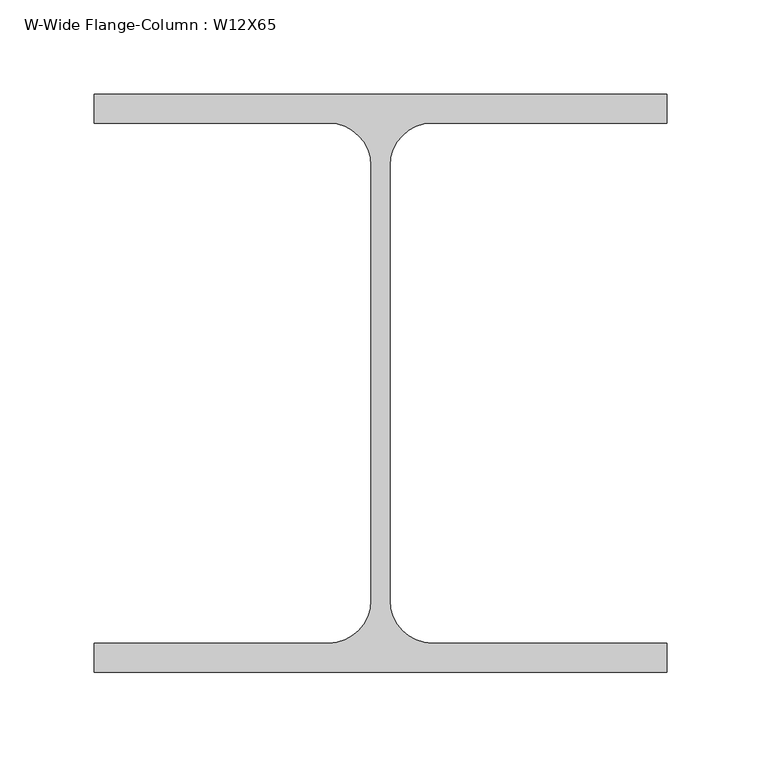
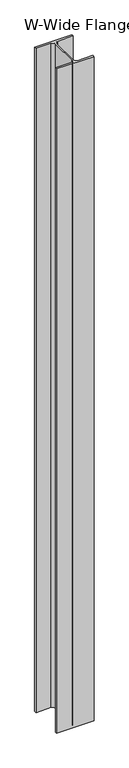
"""IFC4 building model written with IfcOpenShell, lengths in millimetres: column geometry, W-Wide Flange-Column : W12X65."""

from ifc_helpers import new_model, si_unit, point, frame, frame_2d, origin, place, context, project, spatial, polyline, circle_curve, trimmed, segment, composite_curve, outline, extrude, source, transform, mapped, element, save


def w_wide_flange_column_w12x65_d610448f(model_context):
    return source(origin(), model_context, "Body", "SweptSolid", [
        extrude(outline(composite_curve([segment(polyline([(152.4, -153.65), (-152.4, -153.65), (-152.4, -138.25), (-27.65, -138.25)]), True, "CONTINUOUS"), segment(trimmed(circle_curve(frame_2d((-27.65, -115.55)), 22.7), [point((-27.65, -138.25))], [point((-4.95, -115.55))], True, "CARTESIAN"), True, "CONTINUOUS"), segment(polyline([(-4.95, -115.55), (-4.95, 115.55)]), True, "CONTINUOUS"), segment(trimmed(circle_curve(frame_2d((-27.65, 115.55)), 22.7), [point((-4.95, 115.55))], [point((-27.65, 138.25))], True, "CARTESIAN"), True, "CONTINUOUS"), segment(polyline([(-27.65, 138.25), (-152.4, 138.25), (-152.4, 153.65), (152.4, 153.65), (152.4, 138.25), (27.65, 138.25)]), True, "CONTINUOUS"), segment(trimmed(circle_curve(frame_2d((27.65, 115.55)), 22.7), [point((27.65, 138.25))], [point((4.95, 115.55))], True, "CARTESIAN"), True, "CONTINUOUS"), segment(polyline([(4.95, 115.55), (4.95, -115.55)]), True, "CONTINUOUS"), segment(trimmed(circle_curve(frame_2d((27.65, -115.55)), 22.7), [point((4.95, -115.55))], [point((27.65, -138.25))], True, "CARTESIAN"), True, "CONTINUOUS"), segment(polyline([(27.65, -138.25), (152.4, -138.25), (152.4, -153.65)]), True, "CONTINUOUS")], self_intersect=False)), frame((0.0, 0.0, -1851.0), z_axis=(0.0, 0.0, 1.0), x_axis=(1.0, 0.0, 0.0)), (0.0, 0.0, 1.0), 5711.0),
    ])


if __name__ == "__main__":
    model = new_model("IFC4")
    model_context = context("Model", 3, world=origin())
    ifc_project = project(units=[si_unit("LENGTHUNIT", "METRE", prefix="MILLI")], contexts=[model_context])
    site = spatial("IfcSite", under=ifc_project)
    building = spatial("IfcBuilding", under=site)
    placement = place(None, origin())
    w_wide_flange_column_w12x65_shape = w_wide_flange_column_w12x65_d610448f(model_context)
    element("IfcColumn", 1, ObjectType="W-Wide Flange-Column : W12X65", at=placement, inside=building, context=model_context, shape_type="MappedRepresentation", body=[
        mapped(w_wide_flange_column_w12x65_shape, transform((0.0, 0.0, 0.0), x_axis=(1.0, 0.0, 0.0), y_axis=(0.0, 1.0, 0.0), z_axis=(0.0, 0.0, 1.0))),
    ])
    save(model, "model.ifc")
